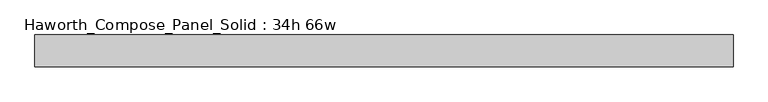
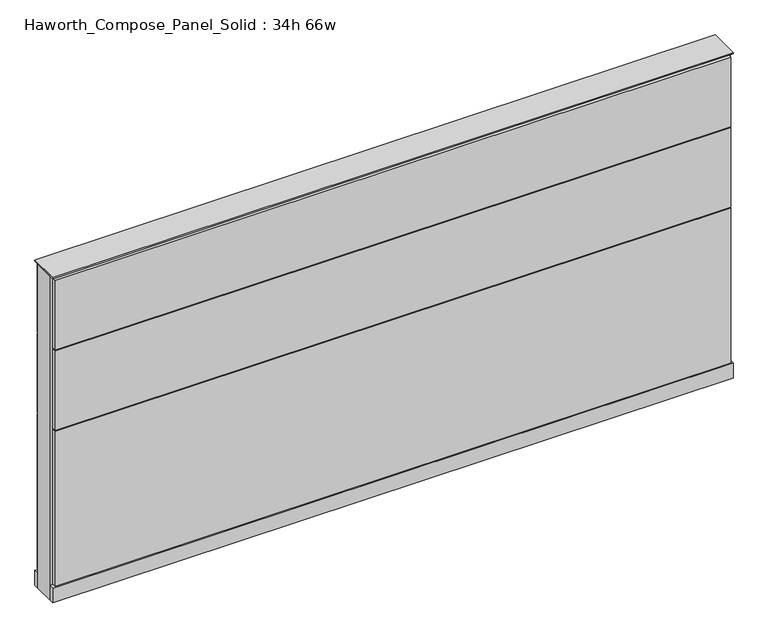
"""IFC4 building model written with IfcOpenShell, lengths in millimetres: furniture geometry, Haworth_Compose_Panel_Solid : 34h 66w."""

from ifc_helpers import new_model, si_unit, point, frame, frame_2d, origin, origin_with_axes, place, context, project, spatial, polyline, circle_curve, trimmed, segment, composite_curve, outline, extrude, source, transform, mapped, element, save


def haworth_compose_panel_solid_34h_66w_5e1ac8ce(model_context):
    return source(origin(), model_context, "Body", "SweptSolid", [
        extrude(outline(composite_curve([segment(trimmed(circle_curve(frame_2d((-759.5597098, 0.0)), 12.7), [point((-772.2597098, 0.0))], [point((-746.8597098, 0.0))], False, "CARTESIAN"), True, "CONTINUOUS"), segment(trimmed(circle_curve(frame_2d((-759.5597098, 0.0)), 12.7), [point((-746.8597098, 0.0))], [point((-772.2597098, 0.0))], False, "CARTESIAN"), True, "CONTINUOUS")], self_intersect=False)), origin_with_axes(), (0.0, 0.0, 1.0), 12.7),
        extrude(outline(composite_curve([segment(trimmed(circle_curve(frame_2d((764.4402902, 0.0)), 12.7), [point((751.7402902, 0.0))], [point((777.1402902, 0.0))], False, "CARTESIAN"), True, "CONTINUOUS"), segment(trimmed(circle_curve(frame_2d((764.4402902, 0.0)), 12.7), [point((777.1402902, 0.0))], [point((751.7402902, 0.0))], False, "CARTESIAN"), True, "CONTINUOUS")], self_intersect=False)), origin_with_axes(), (0.0, 0.0, 1.0), 12.7),
        extrude(outline(polyline([(834.2902902, 38.1), (834.2902902, 25.4), (-829.4097098, 25.4), (-829.4097098, 38.1), (834.2902902, 38.1)])), frame((0.0, 0.0, 669.925), z_axis=(0.0, 0.0, 1.0), x_axis=(1.0, 0.0, 0.0)), (0.0, 0.0, 1.0), 180.975),
        extrude(outline(polyline([(834.2902902, 38.1), (834.2902902, 25.4), (-829.4097098, 25.4), (-829.4097098, 38.1), (834.2902902, 38.1)])), frame((0.0, 0.0, 460.375), z_axis=(0.0, 0.0, 1.0), x_axis=(1.0, 0.0, 0.0)), (0.0, 0.0, 1.0), 206.375),
        extrude(outline(polyline([(834.2902902, 38.1), (834.2902902, 25.4), (-829.4097098, 25.4), (-829.4097098, 38.1), (834.2902902, 38.1)])), frame((0.0, 0.0, 53.975), z_axis=(0.0, 0.0, 1.0), x_axis=(1.0, 0.0, 0.0)), (0.0, 0.0, 1.0), 403.225),
        extrude(outline(polyline([(834.2902902, -38.1), (-829.4097098, -38.1), (-829.4097098, -25.4), (834.2902902, -25.4), (834.2902902, -38.1)])), frame((0.0, 0.0, 669.925), z_axis=(0.0, 0.0, 1.0), x_axis=(1.0, 0.0, 0.0)), (0.0, 0.0, 1.0), 180.975),
        extrude(outline(polyline([(834.2902902, -38.1), (-829.4097098, -38.1), (-829.4097098, -25.4), (834.2902902, -25.4), (834.2902902, -38.1)])), frame((0.0, 0.0, 460.375), z_axis=(0.0, 0.0, 1.0), x_axis=(1.0, 0.0, 0.0)), (0.0, 0.0, 1.0), 206.375),
        extrude(outline(polyline([(834.2902902, -38.1), (-829.4097098, -38.1), (-829.4097098, -25.4), (834.2902902, -25.4), (834.2902902, -38.1)])), frame((0.0, 0.0, 53.975), z_axis=(0.0, 0.0, 1.0), x_axis=(1.0, 0.0, 0.0)), (0.0, 0.0, 1.0), 403.225),
        extrude(outline(polyline([(840.6402902, 25.4), (840.6402902, -25.4), (-835.7597098, -25.4), (-835.7597098, 25.4), (840.6402902, 25.4)])), frame((0.0, 0.0, 12.7), z_axis=(0.0, 0.0, 1.0), x_axis=(1.0, 0.0, 0.0)), (0.0, 0.0, 1.0), 844.55),
        extrude(outline(polyline([(-835.7597098, -38.1), (-835.7597098, 38.1), (840.6402902, 38.1), (840.6402902, -38.1), (-835.7597098, -38.1)])), frame((0.0, 0.0, 12.7), z_axis=(0.0, 0.0, 1.0), x_axis=(1.0, 0.0, 0.0)), (0.0, 0.0, 1.0), 38.1),
        extrude(outline(polyline([(-835.7597098, -38.1), (-835.7597098, 38.1), (840.6402902, 38.1), (840.6402902, -38.1), (-835.7597098, -38.1)])), frame((0.0, 0.0, 857.25), z_axis=(0.0, 0.0, 1.0), x_axis=(1.0, 0.0, 0.0)), (0.0, 0.0, 1.0), 3.175),
    ])


if __name__ == "__main__":
    model = new_model("IFC4")
    model_context = context("Model", 3, world=origin())
    ifc_project = project(units=[si_unit("LENGTHUNIT", "METRE", prefix="MILLI")], contexts=[model_context])
    site = spatial("IfcSite", under=ifc_project)
    building = spatial("IfcBuilding", under=site)
    placement = place(None, origin())
    haworth_compose_panel_solid_34h_66w_shape = haworth_compose_panel_solid_34h_66w_5e1ac8ce(model_context)
    element("IfcFurniture", 1, ObjectType="Haworth_Compose_Panel_Solid : 34h 66w", at=placement, inside=building, context=model_context, shape_type="MappedRepresentation", body=[
        mapped(haworth_compose_panel_solid_34h_66w_shape, transform((0.0, 0.0, 0.0), x_axis=(1.0, 0.0, 0.0), y_axis=(0.0, 1.0, 0.0), z_axis=(0.0, 0.0, 1.0))),
    ])
    save(model, "model.ifc")
